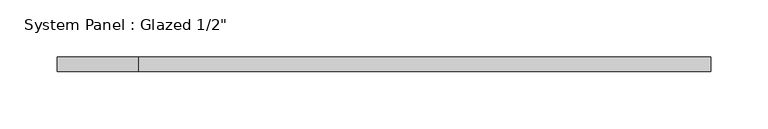
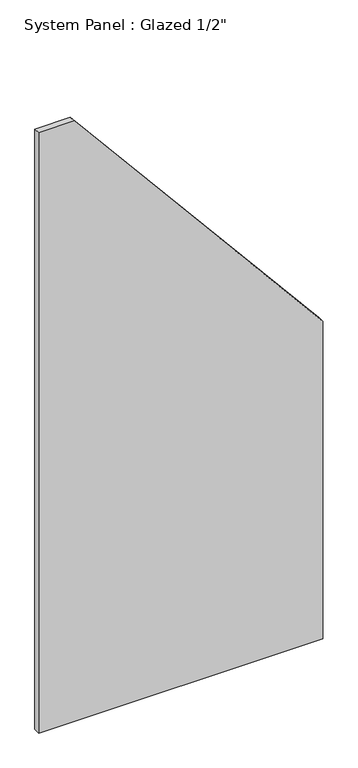
"""IFC4 building model written with IfcOpenShell, lengths in millimetres: plate geometry."""

from ifc_helpers import new_model, si_unit, frame, origin, place, context, project, spatial, polyline, outline, extrude, source, transform, mapped, element, save


def plate_37ad0f34(model_context):
    return source(origin(), model_context, "Body", "SweptSolid", [
        extrude(outline(polyline([(0.0, -284.9706866), (0.0, 284.9706866), (672.6628332, 284.9706866), (1272.115036, -213.8036951), (1272.115036, -284.9706866), (0.0, -284.9706866)])), frame((0.0, -6.35, 0.0), z_axis=(0.0, 1.0, 0.0), x_axis=(0.0, 0.0, 1.0)), (0.0, 0.0, 1.0), 12.7),
    ])


if __name__ == "__main__":
    model = new_model("IFC4")
    model_context = context("Model", 3, world=origin())
    ifc_project = project(units=[si_unit("LENGTHUNIT", "METRE", prefix="MILLI")], contexts=[model_context])
    site = spatial("IfcSite", under=ifc_project)
    building = spatial("IfcBuilding", under=site)
    placement = place(None, origin())
    plate_shape = plate_37ad0f34(model_context)
    element("IfcPlate", 1, ObjectType="System Panel : Glazed 1/2\"", at=placement, inside=building, context=model_context, shape_type="MappedRepresentation", body=[
        mapped(plate_shape, transform((0.0, 0.0, 0.0), x_axis=(1.0, 0.0, 0.0), y_axis=(0.0, 1.0, 0.0), z_axis=(0.0, 0.0, 1.0))),
    ])
    save(model, "model.ifc")
